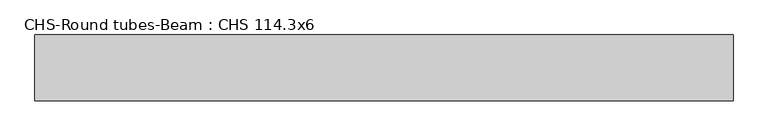
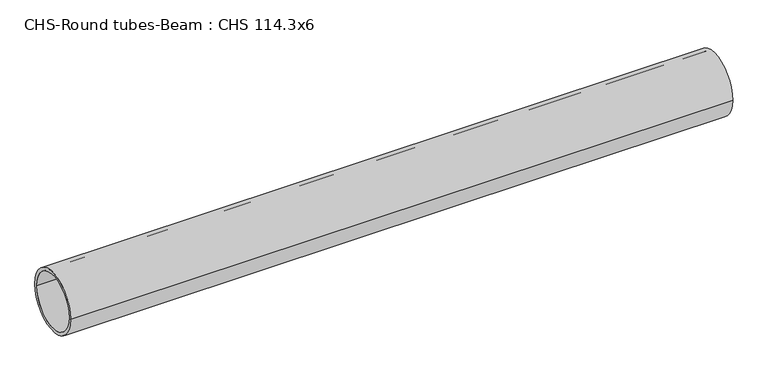
"""IFC4 building model written with IfcOpenShell, lengths in millimetres: beam geometry, CHS-Round tubes-Beam : CHS 114.3x6."""

from ifc_helpers import new_model, si_unit, point, frame, origin, origin_2d, place, context, project, spatial, circle_curve, trimmed, segment, composite_curve, outline, extrude, source, transform, mapped, element, save


def chs_round_tubes_beam_chs_114_3x6_fa4bd681(model_context):
    return source(origin(), model_context, "Body", "SweptSolid", [
        extrude(outline(composite_curve([segment(trimmed(circle_curve(origin_2d(), 57.15), [point((57.15, 0.0))], [point((-57.15, 0.0))], False, "CARTESIAN"), True, "CONTINUOUS"), segment(trimmed(circle_curve(origin_2d(), 57.15), [point((-57.15, 0.0))], [point((57.15, 0.0))], False, "CARTESIAN"), True, "CONTINUOUS")], self_intersect=False), holes=[composite_curve([segment(trimmed(circle_curve(origin_2d(), 51.15), [point((51.15, 0.0))], [point((-51.15, 0.0))], True, "CARTESIAN"), True, "CONTINUOUS"), segment(trimmed(circle_curve(origin_2d(), 51.15), [point((-51.15, 0.0))], [point((51.15, 0.0))], True, "CARTESIAN"), True, "CONTINUOUS")], self_intersect=False)]), frame((-490.1958519, 0.0, 0.0), z_axis=(1.0, 0.0, 0.0), x_axis=(0.0, 1.0, 0.0)), (0.0, 0.0, 1.0), 1214.4166942),
    ])


if __name__ == "__main__":
    model = new_model("IFC4")
    model_context = context("Model", 3, world=origin())
    ifc_project = project(units=[si_unit("LENGTHUNIT", "METRE", prefix="MILLI")], contexts=[model_context])
    site = spatial("IfcSite", under=ifc_project)
    building = spatial("IfcBuilding", under=site)
    placement = place(None, origin())
    chs_round_tubes_beam_chs_114_3x6_shape = chs_round_tubes_beam_chs_114_3x6_fa4bd681(model_context)
    element("IfcBeam", 1, ObjectType="CHS-Round tubes-Beam : CHS 114.3x6", at=placement, inside=building, context=model_context, shape_type="MappedRepresentation", body=[
        mapped(chs_round_tubes_beam_chs_114_3x6_shape, transform((0.0, 0.0, 0.0), x_axis=(1.0, 0.0, 0.0), y_axis=(0.0, 1.0, 0.0), z_axis=(0.0, 0.0, 1.0))),
    ])
    save(model, "model.ifc")
